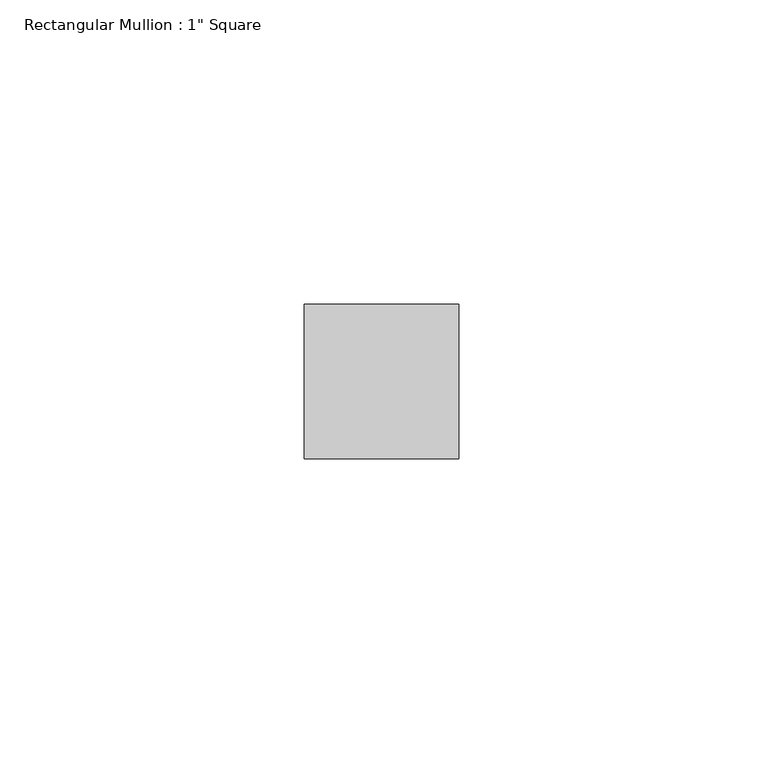
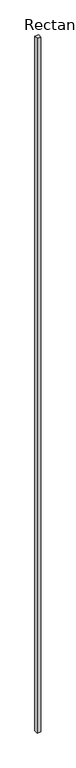
"""IFC4 building model written with IfcOpenShell, lengths in millimetres: member geometry."""

from ifc_helpers import new_model, si_unit, frame, origin, place, context, project, spatial, polyline, outline, extrude, source, transform, mapped, element, save


def member_9552075a(model_context):
    return source(origin(), model_context, "Body", "SweptSolid", [
        extrude(outline(polyline([(0.0, 12.7), (0.0, -12.7), (-25.4, -12.7), (-25.4, 12.7), (0.0, 12.7)])), frame((0.0, 0.0, -4876.8), z_axis=(0.0, 0.0, 1.0), x_axis=(1.0, 0.0, 0.0)), (0.0, 0.0, 1.0), 4876.8),
    ])


if __name__ == "__main__":
    model = new_model("IFC4")
    model_context = context("Model", 3, world=origin())
    ifc_project = project(units=[si_unit("LENGTHUNIT", "METRE", prefix="MILLI")], contexts=[model_context])
    site = spatial("IfcSite", under=ifc_project)
    building = spatial("IfcBuilding", under=site)
    placement = place(None, origin())
    member_shape = member_9552075a(model_context)
    element("IfcMember", 1, ObjectType="Rectangular Mullion : 1\" Square", at=placement, inside=building, context=model_context, shape_type="MappedRepresentation", body=[
        mapped(member_shape, transform((0.0, 0.0, 0.0), x_axis=(1.0, 0.0, 0.0), y_axis=(0.0, 1.0, 0.0), z_axis=(0.0, 0.0, 1.0))),
    ])
    save(model, "model.ifc")
